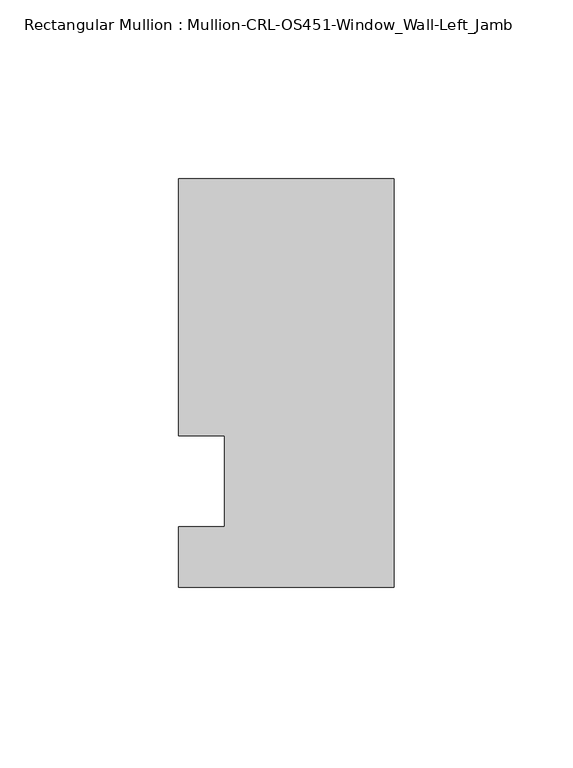
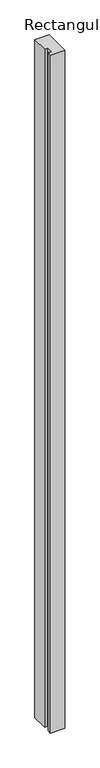
"""IFC4 building model written with IfcOpenShell, lengths in millimetres: member geometry, Rectangular Mullion : Mullion-CRL-OS451-Window_Wall-Left_Jamb."""

from ifc_helpers import new_model, si_unit, frame, origin, place, context, project, spatial, polyline, outline, extrude, source, transform, mapped, element, save


def rectangular_mullion_mullion_crl_os451_window_wall_left_jamb_ed42a95e(model_context):
    return source(origin(), model_context, "Body", "SweptSolid", [
        extrude(outline(polyline([(-60.325, 12.7), (-60.325, 84.6587463), (0.0, 84.6587463), (0.0, -29.6531114), (-60.325, -29.6531114), (-60.325, -12.7), (-47.5139203, -12.7), (-47.5139203, 12.7), (-60.325, 12.7)])), frame((0.0, 0.0, -3048.0), z_axis=(0.0, 0.0, 1.0), x_axis=(1.0, 0.0, 0.0)), (0.0, 0.0, 1.0), 3048.0),
    ])


if __name__ == "__main__":
    model = new_model("IFC4")
    model_context = context("Model", 3, world=origin())
    ifc_project = project(units=[si_unit("LENGTHUNIT", "METRE", prefix="MILLI")], contexts=[model_context])
    site = spatial("IfcSite", under=ifc_project)
    building = spatial("IfcBuilding", under=site)
    placement = place(None, origin())
    rectangular_mullion_mullion_crl_os451_window_wall_left_jamb_shape = rectangular_mullion_mullion_crl_os451_window_wall_left_jamb_ed42a95e(model_context)
    element("IfcMember", 1, ObjectType="Rectangular Mullion : Mullion-CRL-OS451-Window_Wall-Left_Jamb", at=placement, inside=building, context=model_context, shape_type="MappedRepresentation", body=[
        mapped(rectangular_mullion_mullion_crl_os451_window_wall_left_jamb_shape, transform((0.0, 0.0, 0.0), x_axis=(1.0, 0.0, 0.0), y_axis=(0.0, 1.0, 0.0), z_axis=(0.0, 0.0, 1.0))),
    ])
    save(model, "model.ifc")
